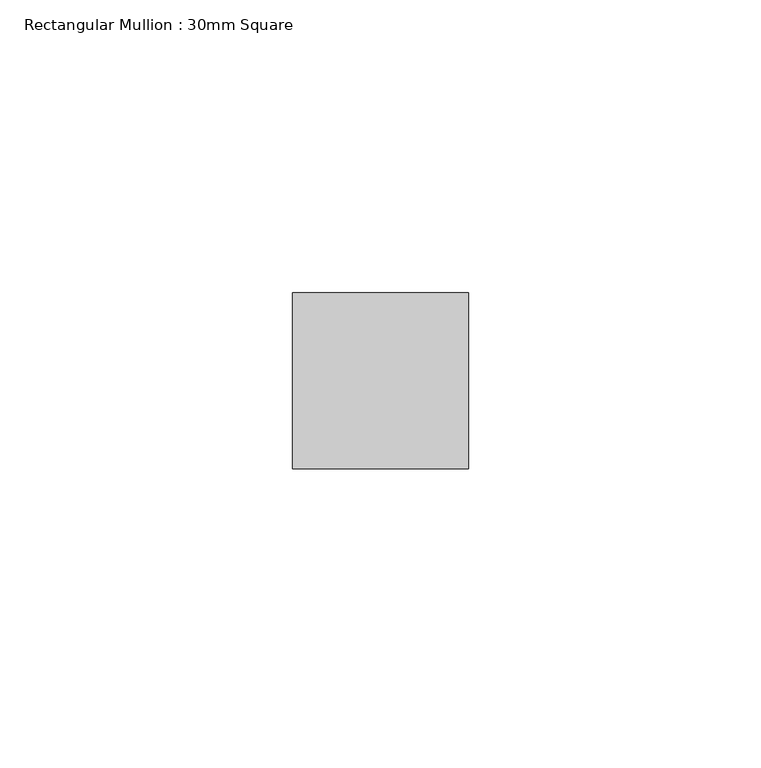
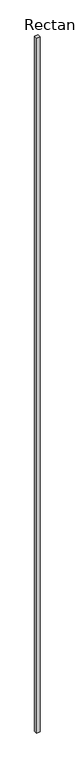
"""IFC4 building model written with IfcOpenShell, lengths in millimetres: member geometry, Rectangular Mullion : 30mm Square."""

import ifcopenshell
import ifcopenshell.guid

model = None  # the IFC model being written
_history = None  # IfcOwnerHistory: only IFC2X3 demands one
_inside = {}  # id of a spatial element -> (the spatial element, [elements in it])
_under = {}  # id of a project, library or spatial element -> (it, [spatial elements below it])
_declared = {}  # id of a project -> (the project, [libraries it declares])
_typed = {}  # id of a type object -> (the type object, [elements of that type])
_made_of = {}  # id of a material, layer set ... -> (it, [elements and type objects made of it])


def new_model(schema):
    """Start an empty IFC model of exactly this schema.

    Asked for "IFC4X3", IfcOpenShell would pick the latest addendum, in which some entities
    have other attributes; the version numbers below select the first issue.
    IFC2X3 requires an IfcOwnerHistory on every rooted entity: one is made here for all.
    """
    global model, _history
    if schema == "IFC4X3":
        model = ifcopenshell.file(schema_version=(4, 3, 0, 0))
    else:
        model = ifcopenshell.file(schema=schema)
    _inside.clear()
    _under.clear()
    _declared.clear()
    _typed.clear()
    _made_of.clear()
    _history = None
    if model.schema == "IFC2X3":
        org = make("IfcOrganization", Name="unknown")
        user = make(
            "IfcPersonAndOrganization",
            ThePerson=make("IfcPerson", FamilyName="unknown"),
            TheOrganization=org,
        )
        app = make(
            "IfcApplication",
            ApplicationDeveloper=org,
            Version="unknown",
            ApplicationFullName="unknown",
            ApplicationIdentifier="unknown",
        )
        _history = make(
            "IfcOwnerHistory",
            OwningUser=user,
            OwningApplication=app,
            ChangeAction="ADDED",
            CreationDate=0,
        )
    return model


def make(cls, **values):
    """One entity of the class cls with the attributes given. An attribute that is None is left unset."""
    return model.create_entity(
        cls, **{name: value for name, value in values.items() if value is not None}
    )


def rooted(cls, **values):
    """An entity with a GlobalId (a new one), such as an element, a storey or a relation."""
    return make(cls, GlobalId=ifcopenshell.guid.new(), OwnerHistory=_history, **values)


def si_unit(unit_type, name, prefix=None):
    """IfcSIUnit, for example si_unit("LENGTHUNIT", "METRE", prefix="MILLI")."""
    return make("IfcSIUnit", UnitType=unit_type, Prefix=prefix, Name=name)


def assignment(units):
    """IfcUnitAssignment: the units of a project."""
    return None if units is None else make("IfcUnitAssignment", Units=units)


def point(xyz):
    """IfcCartesianPoint."""
    return None if xyz is None else make("IfcCartesianPoint", Coordinates=xyz)


def direction(xyz):
    """IfcDirection."""
    return None if xyz is None else make("IfcDirection", DirectionRatios=xyz)


def frame(location, z_axis=None, x_axis=None):
    """IfcAxis2Placement3D, a coordinate frame: its origin and axes. An axis left out is left unset."""
    return make(
        "IfcAxis2Placement3D",
        Location=point(location),
        Axis=direction(z_axis),
        RefDirection=direction(x_axis),
    )


def origin():
    """The frame at (0, 0, 0) with its axes left unset."""
    return frame((0.0, 0.0, 0.0))


def place(relative_to, where):
    """IfcLocalPlacement: puts the frame where relative to a parent placement (None: the world)."""
    return make(
        "IfcLocalPlacement", PlacementRelTo=relative_to, RelativePlacement=where
    )


def context(
    kind, dimensions, precision=None, world=None, true_north=None, identifier=None
):
    """IfcGeometricRepresentationContext, for example the 3D "Model" context."""
    return make(
        "IfcGeometricRepresentationContext",
        ContextIdentifier=identifier,
        ContextType=kind,
        CoordinateSpaceDimension=dimensions,
        Precision=precision,
        WorldCoordinateSystem=world,
        TrueNorth=true_north,
    )


def project(units=None, contexts=None):
    """IfcProject with its units and contexts."""
    return rooted(
        "IfcProject",
        Name="project",
        RepresentationContexts=contexts,
        UnitsInContext=assignment(units),
    )


def spatial(cls, under=None, at=None, **own):
    """A site, building, storey or space (cls), placed at a placement, below another one or the project."""
    s = rooted(cls, ObjectPlacement=at, **own)
    if under is not None:
        _under.setdefault(under.id(), (under, []))[1].append(s)
    return s


def polyline(points):
    """IfcPolyline through the points."""
    return make("IfcPolyline", Points=[point(p) for p in points])


def outline(outer, holes=None, kind="AREA"):
    """IfcArbitraryClosedProfileDef: a profile drawn as a closed curve; with holes, ...WithVoids."""
    if holes is None:
        return make("IfcArbitraryClosedProfileDef", ProfileType=kind, OuterCurve=outer)
    return make(
        "IfcArbitraryProfileDefWithVoids",
        ProfileType=kind,
        OuterCurve=outer,
        InnerCurves=holes,
    )


def extrude(swept, where, along, depth):
    """IfcExtrudedAreaSolid: the profile swept, set in the frame where, extruded along a direction by depth."""
    return make(
        "IfcExtrudedAreaSolid",
        SweptArea=swept,
        Position=where,
        ExtrudedDirection=direction(along),
        Depth=depth,
    )


def shape(context_of_items, identifier, shape_type, items):
    """IfcShapeRepresentation: the items that make up one representation, for example the "Body"."""
    return make(
        "IfcShapeRepresentation",
        ContextOfItems=context_of_items,
        RepresentationIdentifier=identifier,
        RepresentationType=shape_type,
        Items=items,
    )


def source(mapping_origin, context_of_items, identifier, shape_type, items):
    """IfcRepresentationMap: a shape defined once, which mapped items show again and again."""
    return make(
        "IfcRepresentationMap",
        MappingOrigin=mapping_origin,
        MappedRepresentation=shape(context_of_items, identifier, shape_type, items),
    )


def transform(
    local_origin,
    x_axis=None,
    y_axis=None,
    z_axis=None,
    scale=None,
    scale2=None,
    scale3=None,
    uniform=True,
):
    """IfcCartesianTransformationOperator3D, or its non-uniform kind. x_axis, y_axis, z_axis: its Axis1, 2, 3."""
    if uniform:
        return make(
            "IfcCartesianTransformationOperator3D",
            Axis1=direction(x_axis),
            Axis2=direction(y_axis),
            LocalOrigin=point(local_origin),
            Scale=scale,
            Axis3=direction(z_axis),
        )
    return make(
        "IfcCartesianTransformationOperator3DnonUniform",
        Axis1=direction(x_axis),
        Axis2=direction(y_axis),
        LocalOrigin=point(local_origin),
        Scale=scale,
        Axis3=direction(z_axis),
        Scale2=scale2,
        Scale3=scale3,
    )


def mapped(mapping_source, mapping_target):
    """IfcMappedItem: shows the shape of a source again, moved by a transform."""
    return make(
        "IfcMappedItem", MappingSource=mapping_source, MappingTarget=mapping_target
    )


def made_of(thing, what):
    """Note that an element or type object is made of a material, layer set ...; save() writes the relation."""
    if what is not None:
        _made_of.setdefault(what.id(), (what, []))[1].append(thing)
    return thing


def element(
    cls,
    number,
    at=None,
    inside=None,
    cuts=None,
    type_object=None,
    material=None,
    context=None,
    identifier="Body",
    shape_type=None,
    held_by="IfcProductDefinitionShape",
    body=None,
    shapes=None,
    **own,
):
    """One element of the class cls, such as IfcWall. Its Tag is "e" and its number.

    at: its placement. inside: the storey or other place that contains it. cuts: it is an
    opening in that element (IfcRelVoidsElement). A single representation is given by context,
    identifier, shape_type and body (its items); several are given by shapes. held_by: the class
    of the entity that holds the representations. save() writes the other relations.
    """
    e = rooted(cls, Tag="e%d" % number, ObjectPlacement=at, **own)
    if body is not None:
        shapes = [shape(context, identifier, shape_type, body)]
    if shapes is not None:
        e.Representation = make(held_by, Representations=shapes)
    if inside is not None:
        _inside.setdefault(inside.id(), (inside, []))[1].append(e)
    if cuts is not None:
        rooted(
            "IfcRelVoidsElement", RelatingBuildingElement=cuts, RelatedOpeningElement=e
        )
    if type_object is not None:
        _typed.setdefault(type_object.id(), (type_object, []))[1].append(e)
    return made_of(e, material)


def aggregate(whole, parts):
    """IfcRelAggregates: a whole, such as a stair, and the parts it consists of."""
    return rooted("IfcRelAggregates", RelatingObject=whole, RelatedObjects=parts)


def save(model, path):
    """Write the relations noted so far, then the file.

    IfcRelAggregates (storeys below a building ...), IfcRelContainedInSpatialStructure (elements
    in a storey), IfcRelDefinesByType, IfcRelAssociatesMaterial and IfcRelDeclares: one each for
    every whole, place, type object, material and project.
    """
    for whole, parts in _under.values():
        aggregate(whole, parts)
    for where, things in _inside.values():
        rooted(
            "IfcRelContainedInSpatialStructure",
            RelatedElements=things,
            RelatingStructure=where,
        )
    for kind, things in _typed.values():
        rooted("IfcRelDefinesByType", RelatedObjects=things, RelatingType=kind)
    for what, things in _made_of.values():
        rooted("IfcRelAssociatesMaterial", RelatedObjects=things, RelatingMaterial=what)
    for by, libraries in _declared.values():
        rooted("IfcRelDeclares", RelatingContext=by, RelatedDefinitions=libraries)
    model.write(path)


def rectangular_mullion_30mm_square_0fda4c92(model_context):
    return source(origin(), model_context, "Body", "SweptSolid", [
        extrude(outline(polyline([(15.0, 15.0), (15.0, -15.0), (-15.0, -15.0), (-15.0, 15.0), (15.0, 15.0)])), frame((0.0, 0.0, -6450.6377752), z_axis=(0.0, 0.0, 1.0), x_axis=(1.0, 0.0, 0.0)), (0.0, 0.0, 1.0), 6450.6377752),
    ])


if __name__ == "__main__":
    model = new_model("IFC4")
    model_context = context("Model", 3, world=origin())
    ifc_project = project(units=[si_unit("LENGTHUNIT", "METRE", prefix="MILLI")], contexts=[model_context])
    site = spatial("IfcSite", under=ifc_project)
    building = spatial("IfcBuilding", under=site)
    placement = place(None, origin())
    rectangular_mullion_30mm_square_shape = rectangular_mullion_30mm_square_0fda4c92(model_context)
    element("IfcMember", 1, ObjectType="Rectangular Mullion : 30mm Square", at=placement, inside=building, context=model_context, shape_type="MappedRepresentation", body=[
        mapped(rectangular_mullion_30mm_square_shape, transform((0.0, 0.0, 0.0), x_axis=(1.0, 0.0, 0.0), y_axis=(0.0, 1.0, 0.0), z_axis=(0.0, 0.0, 1.0))),
    ])
    save(model, "model.ifc")
